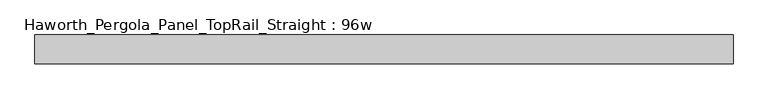
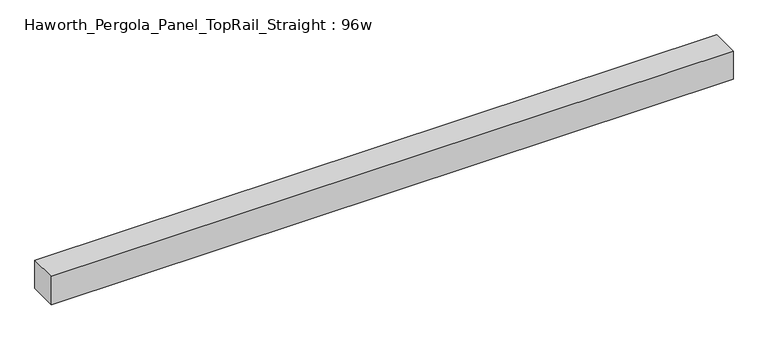
"""IFC4 building model written with IfcOpenShell, lengths in millimetres: furniture geometry, Haworth_Pergola_Panel_TopRail_Straight : 96w."""

from ifc_helpers import new_model, si_unit, frame, origin, place, context, project, spatial, polyline, outline, extrude, source, transform, mapped, element, save


def haworth_pergola_panel_toprail_straight_96w_3731e667(model_context):
    return source(origin(), model_context, "Body", "SweptSolid", [
        extrude(outline(polyline([(2730.5, -50.8), (292.1, -50.8), (292.1, 50.8), (2730.5, 50.8), (2730.5, -50.8)])), frame((0.0, 0.0, 2331.8390625), z_axis=(0.0, 0.0, 1.0), x_axis=(1.0, 0.0, 0.0)), (0.0, 0.0, 1.0), 106.5609375),
    ])


if __name__ == "__main__":
    model = new_model("IFC4")
    model_context = context("Model", 3, world=origin())
    ifc_project = project(units=[si_unit("LENGTHUNIT", "METRE", prefix="MILLI")], contexts=[model_context])
    site = spatial("IfcSite", under=ifc_project)
    building = spatial("IfcBuilding", under=site)
    placement = place(None, origin())
    haworth_pergola_panel_toprail_straight_96w_shape = haworth_pergola_panel_toprail_straight_96w_3731e667(model_context)
    element("IfcFurniture", 1, ObjectType="Haworth_Pergola_Panel_TopRail_Straight : 96w", at=placement, inside=building, context=model_context, shape_type="MappedRepresentation", body=[
        mapped(haworth_pergola_panel_toprail_straight_96w_shape, transform((0.0, 0.0, 0.0), x_axis=(1.0, 0.0, 0.0), y_axis=(0.0, 1.0, 0.0), z_axis=(0.0, 0.0, 1.0))),
    ])
    save(model, "model.ifc")
